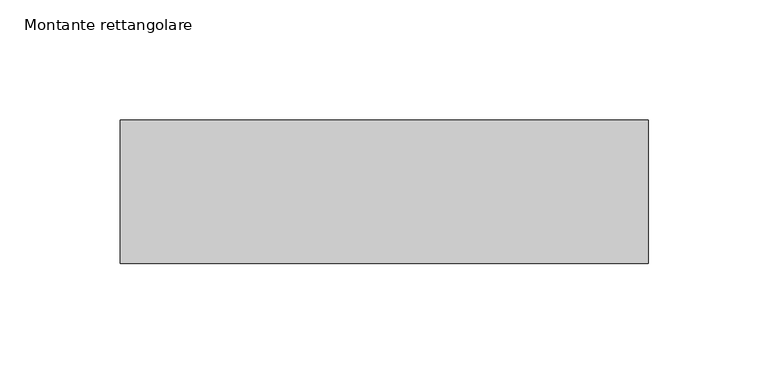
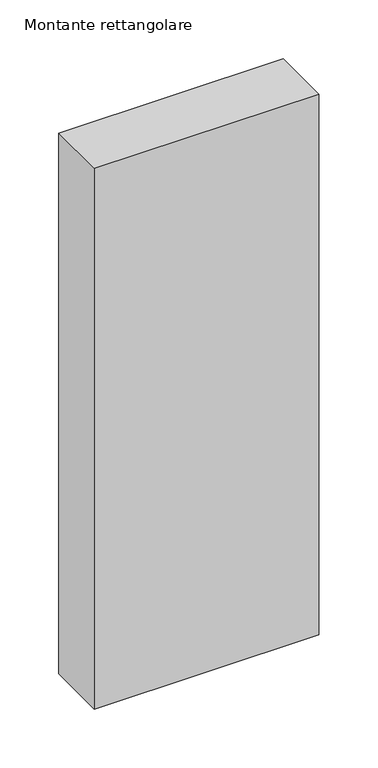
"""IFC4 building model written with IfcOpenShell, lengths in millimetres: member geometry, Montante rettangolare."""

from ifc_helpers import new_model, si_unit, frame, origin, place, context, project, spatial, polyline, outline, extrude, source, transform, mapped, element, save


def montante_rettangolare_d968afe2(model_context):
    return source(origin(), model_context, "Body", "SweptSolid", [
        extrude(outline(polyline([(0.0, 30.0), (0.0, -30.0), (-220.0, -30.0), (-220.0, 30.0), (0.0, 30.0)])), frame((0.0, 0.0, -560.0), z_axis=(0.0, 0.0, 1.0), x_axis=(1.0, 0.0, 0.0)), (0.0, 0.0, 1.0), 560.0),
    ])


if __name__ == "__main__":
    model = new_model("IFC4")
    model_context = context("Model", 3, world=origin())
    ifc_project = project(units=[si_unit("LENGTHUNIT", "METRE", prefix="MILLI")], contexts=[model_context])
    site = spatial("IfcSite", under=ifc_project)
    building = spatial("IfcBuilding", under=site)
    placement = place(None, origin())
    montante_rettangolare_shape = montante_rettangolare_d968afe2(model_context)
    element("IfcMember", 1, ObjectType="Montante rettangolare", at=placement, inside=building, context=model_context, shape_type="MappedRepresentation", body=[
        mapped(montante_rettangolare_shape, transform((0.0, 0.0, 0.0), x_axis=(1.0, 0.0, 0.0), y_axis=(0.0, 1.0, 0.0), z_axis=(0.0, 0.0, 1.0))),
    ])
    save(model, "model.ifc")
